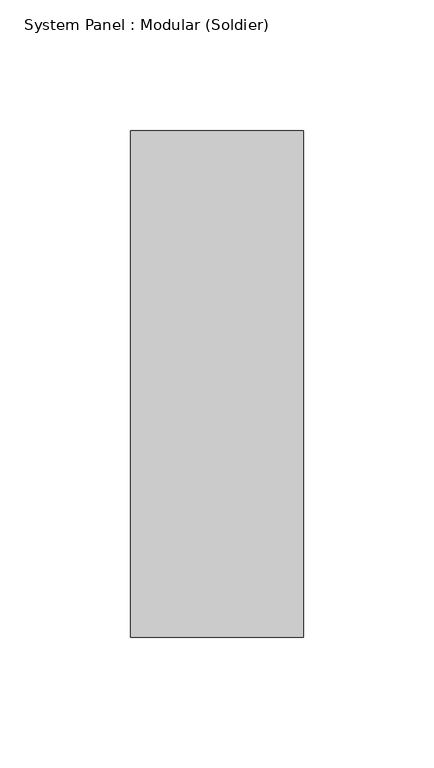
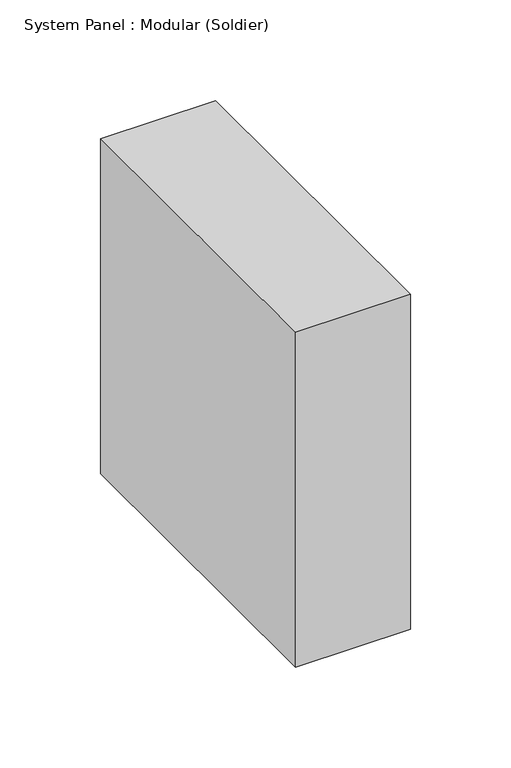
"""IFC4 building model written with IfcOpenShell, lengths in millimetres: plate geometry, System Panel : Modular (Soldier)."""

from ifc_helpers import new_model, si_unit, origin, origin_with_axes, place, context, project, spatial, polyline, outline, extrude, source, transform, mapped, element, save


def system_panel_modular_soldier_8c8bb19b(model_context):
    return source(origin(), model_context, "Body", "SweptSolid", [
        extrude(outline(polyline([(33.0411667, 0.0), (-33.0411667, 0.0), (-33.0411667, 193.675), (33.0411667, 193.675), (33.0411667, 0.0)])), origin_with_axes(), (0.0, 0.0, 1.0), 203.2),
    ])


if __name__ == "__main__":
    model = new_model("IFC4")
    model_context = context("Model", 3, world=origin())
    ifc_project = project(units=[si_unit("LENGTHUNIT", "METRE", prefix="MILLI")], contexts=[model_context])
    site = spatial("IfcSite", under=ifc_project)
    building = spatial("IfcBuilding", under=site)
    placement = place(None, origin())
    system_panel_modular_soldier_shape = system_panel_modular_soldier_8c8bb19b(model_context)
    element("IfcPlate", 1, ObjectType="System Panel : Modular (Soldier)", at=placement, inside=building, context=model_context, shape_type="MappedRepresentation", body=[
        mapped(system_panel_modular_soldier_shape, transform((0.0, 0.0, 0.0), x_axis=(1.0, 0.0, 0.0), y_axis=(0.0, 1.0, 0.0), z_axis=(0.0, 0.0, 1.0))),
    ])
    save(model, "model.ifc")
